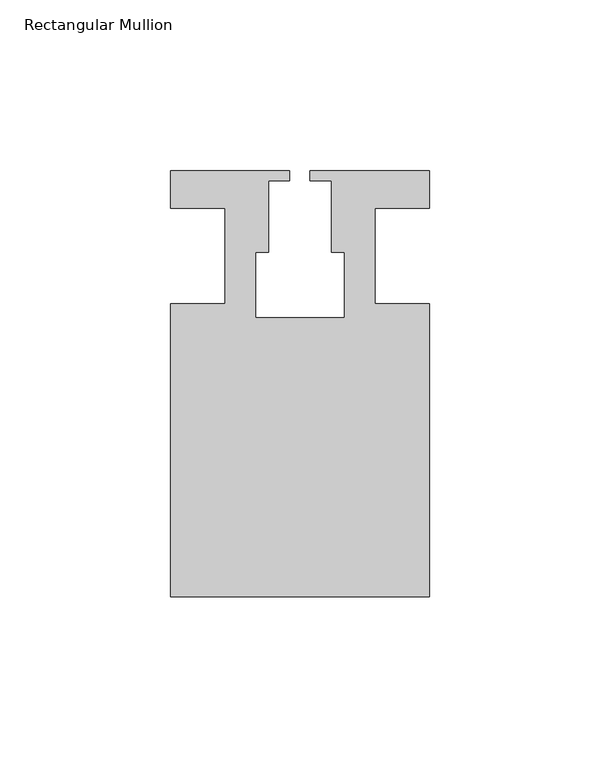
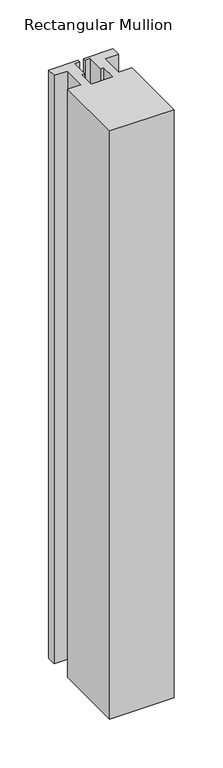
"""IFC4 building model written with IfcOpenShell, lengths in millimetres: member geometry, Rectangular Mullion."""

from ifc_helpers import new_model, si_unit, frame, origin, place, context, project, spatial, polyline, outline, extrude, source, transform, mapped, element, save


def rectangular_mullion_7669d033(model_context):
    return source(origin(), model_context, "Body", "SweptSolid", [
        extrude(outline(polyline([(37.9999914, -99.9960123), (-37.9999896, -99.9960123), (-37.9999896, -13.9960123), (-21.9999633, -13.9960123), (-21.9999633, 14.0039877), (-37.9999896, 14.0039877), (-37.9999896, 25.0039877), (-2.9999896, 25.0039877), (-2.9999896, 22.0039877), (-9.1999633, 22.0039877), (-9.1999633, 1.0039877), (-12.9999633, 1.0039877), (-12.9999633, -18.1960075), (12.9999651, -18.1960075), (12.9999651, 1.0039877), (9.1999651, 1.0039877), (9.1999651, 22.0039877), (2.9999651, 22.0039877), (2.9999651, 25.0039877), (37.9999896, 25.0039877), (37.9999896, 14.0039877), (21.9999651, 14.0039877), (21.9999651, -13.9960123), (37.9999914, -13.9960123), (37.9999914, -99.9960123)])), frame((0.0, 0.0, -734.958673), z_axis=(0.0, 0.0, 1.0), x_axis=(1.0, 0.0, 0.0)), (0.0, 0.0, 1.0), 734.958673),
    ])


if __name__ == "__main__":
    model = new_model("IFC4")
    model_context = context("Model", 3, world=origin())
    ifc_project = project(units=[si_unit("LENGTHUNIT", "METRE", prefix="MILLI")], contexts=[model_context])
    site = spatial("IfcSite", under=ifc_project)
    building = spatial("IfcBuilding", under=site)
    placement = place(None, origin())
    rectangular_mullion_shape = rectangular_mullion_7669d033(model_context)
    element("IfcMember", 1, ObjectType="Rectangular Mullion", at=placement, inside=building, context=model_context, shape_type="MappedRepresentation", body=[
        mapped(rectangular_mullion_shape, transform((0.0, 0.0, 0.0), x_axis=(1.0, 0.0, 0.0), y_axis=(0.0, 1.0, 0.0), z_axis=(0.0, 0.0, 1.0))),
    ])
    save(model, "model.ifc")
